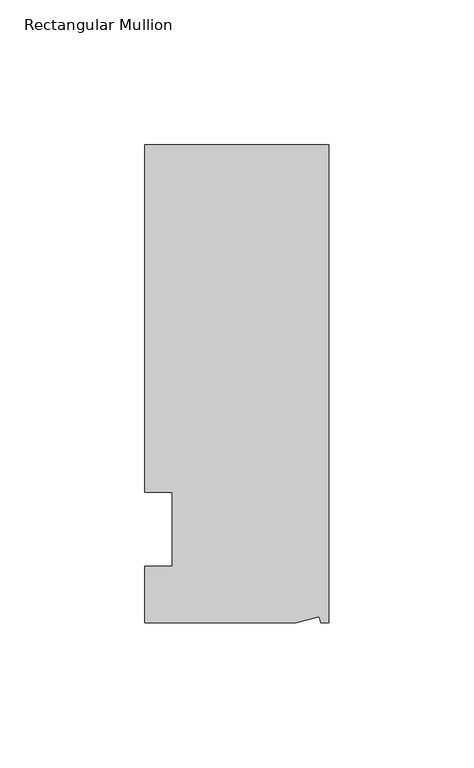
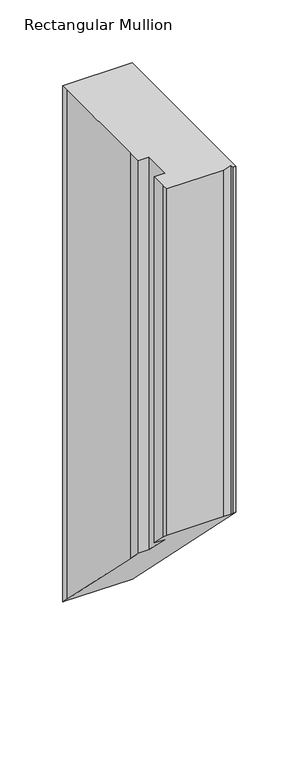
"""IFC4 building model written with IfcOpenShell, lengths in millimetres: member geometry, Rectangular Mullion."""

from ifc_helpers import new_model, si_unit, origin, place, context, project, spatial, faceted_brep, source, transform, mapped, element, save


def rectangular_mullion_5285faa1(model_context):
    return source(origin(), model_context, "Body", "Brep", [
        faceted_brep([(-3.3457217, -17.5748952, 0.0), (-11.1265412, -19.6597595, 0.0), (-11.1265412, -19.6597595, -335.9402405), (-3.3457217, -17.5748952, -338.0251048), (-2.787084, -19.6597595, 0.0), (-2.787084, -19.6597595, -335.9402405), (0.0, -19.6597595, 0.0), (0.0, -19.6597595, -335.9402405), (0.0, 145.4402405, 0.0), (0.0, 145.4402405, -501.0402405), (-63.5, 145.4402405, 0.0), (-63.5, 145.4402405, -501.0402405), (-63.5, 139.091245, 0.0), (-63.5, 139.091245, -494.691245), (-63.5, 38.3358837, 0.0), (-63.5, 38.3358837, -393.9358837), (-53.975, 25.4, 0.0), (-63.5, 25.4, 0.0), (-63.5, 25.4, -381.0), (-53.975, 25.4, -381.0), (-53.975, 0.0, 0.0), (-53.975, 0.0, -355.6), (-63.5, 0.0, 0.0), (-63.5, 0.0, -355.6), (-63.5, -13.6200033, 0.0), (-63.5, -13.6200033, -341.9799967), (-63.5, -19.6597595, 0.0), (-63.5, -19.6597595, -335.9402405)], [[[0, 1, 2, 3]], [[4, 0, 3, 5]], [[6, 4, 5, 7]], [[8, 6, 7, 9]], [[10, 8, 9, 11]], [[12, 10, 11, 13]], [[14, 12, 13, 15]], [[16, 17, 18, 19]], [[20, 16, 19, 21]], [[22, 20, 21, 23]], [[24, 22, 23, 25]], [[1, 26, 27, 2]], [[1, 0, 4, 6, 8, 10, 12, 14, 17, 16, 20, 22, 24, 26]], [[2, 27, 25, 23, 21, 19, 18, 15, 13, 11, 9, 7, 5, 3]], [[17, 14, 15, 18]], [[26, 24, 25, 27]]]),
    ])


if __name__ == "__main__":
    model = new_model("IFC4")
    model_context = context("Model", 3, world=origin())
    ifc_project = project(units=[si_unit("LENGTHUNIT", "METRE", prefix="MILLI")], contexts=[model_context])
    site = spatial("IfcSite", under=ifc_project)
    building = spatial("IfcBuilding", under=site)
    placement = place(None, origin())
    rectangular_mullion_shape = rectangular_mullion_5285faa1(model_context)
    element("IfcMember", 1, ObjectType="Rectangular Mullion", at=placement, inside=building, context=model_context, shape_type="MappedRepresentation", body=[
        mapped(rectangular_mullion_shape, transform((0.0, 0.0, 0.0), x_axis=(1.0, 0.0, 0.0), y_axis=(0.0, 1.0, 0.0), z_axis=(0.0, 0.0, 1.0))),
    ])
    save(model, "model.ifc")
